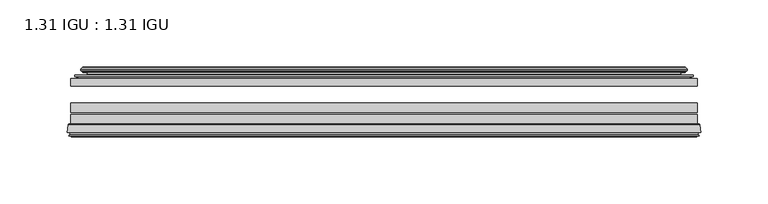
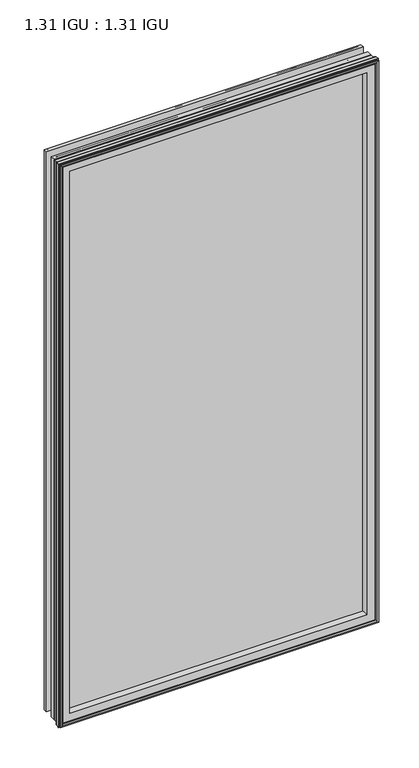
"""IFC4 building model written with IfcOpenShell, lengths in millimetres: plate geometry, 1.31 IGU : 1.31 IGU."""

from ifc_helpers import new_model, si_unit, frame, origin, place, context, project, spatial, polyline, ellipse_curve, outline, extrude, source, transform, mapped, element, save
from ifc_brep_helpers import plane_surface, cylinder_surface, revolved_surface, advanced_brep


def plate_1_31_igu_1_31_igu_a0dc22a1(model_context):
    return source(origin(), model_context, "Body", "SolidModel", [
        extrude(outline(polyline([(233.3578362, -44.8960875), (233.3578362, -50.4332875), (-233.3627713, -50.4332875), (-233.3627713, -44.8960875), (233.3578362, -44.8960875)])), frame((0.0, 0.0, -14.2875), z_axis=(0.0, 0.0, 1.0), x_axis=(1.0, 0.0, 0.0)), (0.0, 0.0, 1.0), 873.1260851),
        extrude(outline(polyline([(-233.3627713, -78.7796875), (-233.3627713, -71.7692875), (233.3578362, -71.7692875), (233.3578362, -78.7796875), (-233.3627713, -78.7796875)])), frame((0.0, 0.0, -14.2875), z_axis=(0.0, 0.0, 1.0), x_axis=(1.0, 0.0, 0.0)), (0.0, 0.0, 1.0), 873.1260851),
        extrude(outline(polyline([(-233.3627713, -70.2452875), (-233.3627713, -63.1332875), (233.3578362, -63.1332875), (233.3578362, -70.2452875), (-233.3627713, -70.2452875)])), frame((0.0, 0.0, -14.2875), z_axis=(0.0, 0.0, 1.0), x_axis=(1.0, 0.0, 0.0)), (0.0, 0.0, 1.0), 873.1260851),
        advanced_brep(
        [(-235.9096752, -85.1296875, 861.385489), (-235.2148914, -79.4711276, 860.6907053), (-235.2148914, -79.4711276, -16.1396201), (-235.9096752, -85.1296875, -16.8344039), (-233.5220752, -87.1207518, 858.997889), (-233.9792752, -85.1296875, 859.455089), (-233.9792752, -85.1296875, -14.9040039), (-233.5220752, -87.1207518, -14.4468039), (-234.5234371, -86.8524376, 859.9992509), (-234.5234371, -86.8524376, -15.4481658), (-234.7666752, -87.7602147, 860.242489), (-234.7666752, -87.7602147, -15.6914039), (-232.7346752, -88.3046875, 858.210489), (-232.7346752, -88.3046875, -13.6594039), (-230.7026752, -87.7602147, 856.178489), (-230.7026752, -87.7602147, -11.6274039), (-230.9459133, -86.8524376, 856.4217272), (-230.9459133, -86.8524376, -11.8706421), (-231.9472752, -87.1207518, 857.423089), (-231.9472752, -87.1207518, -12.8720039), (-231.4900752, -85.1296875, 856.965889), (-231.4900752, -85.1296875, -12.4148039), (-234.4333606, -78.7796875, 859.9091744), (-234.4333606, -78.7796875, -15.3580893), (235.2148914, -79.4711276, -16.1396201), (235.9096752, -85.1296875, -16.8344039), (233.9792752, -85.1296875, -14.9040039), (233.5220752, -87.1207518, -14.4468039), (234.5234371, -86.8524376, -15.4481658), (234.7666752, -87.7602147, -15.6914039), (232.7346752, -88.3046875, -13.6594039), (230.7026752, -87.7602147, -11.6274039), (230.9459133, -86.8524376, -11.8706421), (231.9472752, -87.1207518, -12.8720039), (231.4900752, -85.1296875, -12.4148039), (234.4333606, -78.7796875, -15.3580893), (235.2148914, -79.4711276, 860.6907053), (235.9096752, -85.1296875, 861.385489), (233.9792752, -85.1296875, 859.455089), (233.5220752, -87.1207518, 858.997889), (234.5234371, -86.8524376, 859.9992509), (234.7666752, -87.7602147, 860.242489), (232.7346752, -88.3046875, 858.210489), (230.7026752, -87.7602147, 856.178489), (230.9459133, -86.8524376, 856.4217272), (231.9472752, -87.1207518, 857.423089), (231.4900752, -85.1296875, 856.965889), (234.4333606, -78.7796875, 859.9091744), (-219.0874844, -85.1296875, 844.5632982), (219.0874844, -85.1296875, 844.5632982), (219.0874844, -85.1296875, -0.0122131), (-219.0874844, -85.1296875, -0.0122131), (-215.7712075, -78.7796875, 3.3040638), (215.7712075, -78.7796875, 3.3040638), (215.7712075, -78.7796875, 841.2470213), (-215.7712075, -78.7796875, 841.2470213)],
        [
            (0, 1),
            (1, 2),
            (2, 3),
            (3, 0),
            (4, 5),
            (5, 6),
            (6, 7),
            (7, 4),
            (8, 4),
            (7, 9),
            (9, 8),
            (10, 8),
            (9, 11),
            (11, 10),
            (12, 10),
            (11, 13),
            (13, 12),
            (14, 12),
            (13, 15),
            (15, 14),
            (16, 14),
            (15, 17),
            (17, 16),
            (18, 16),
            (17, 19),
            (19, 18),
            (20, 18),
            (19, 21),
            (21, 20),
            (1, 22, ellipse_curve(frame((-234.4333606, -79.5670875, 859.9091744), z_axis=(-0.7071067811865475, 0.0, -0.7071067811865475), x_axis=(-0.7071067811865474, 0.0, 0.7071067811865476)), 1.1135518, 0.7874)),
            (22, 23),
            (23, 2, ellipse_curve(frame((-234.4333606, -79.5670875, -15.3580893), z_axis=(-0.7071067811865475, 0.0, 0.7071067811865475), x_axis=(0.7071067811865474, 0.0, 0.7071067811865476)), 1.1135518, 0.7874)),
            (2, 24),
            (24, 25),
            (25, 3),
            (6, 26),
            (26, 27),
            (27, 7),
            (27, 28),
            (28, 9),
            (28, 29),
            (29, 11),
            (29, 30),
            (30, 13),
            (30, 31),
            (31, 15),
            (31, 32),
            (32, 17),
            (32, 33),
            (33, 19),
            (33, 34),
            (34, 21),
            (23, 35),
            (35, 24, ellipse_curve(frame((234.4333606, -79.5670875, -15.3580893), z_axis=(-0.7071067811865475, 0.0, -0.7071067811865475), x_axis=(-0.7071067811865476, 0.0, 0.7071067811865474)), 1.1135518, 0.7874)),
            (24, 36),
            (36, 37),
            (37, 25),
            (26, 38),
            (38, 39),
            (39, 27),
            (39, 40),
            (40, 28),
            (40, 41),
            (41, 29),
            (41, 42),
            (42, 30),
            (42, 43),
            (43, 31),
            (43, 44),
            (44, 32),
            (44, 45),
            (45, 33),
            (45, 46),
            (46, 34),
            (35, 47),
            (47, 36, ellipse_curve(frame((234.4333606, -79.5670875, 859.9091744), z_axis=(0.7071067811865475, 0.0, -0.7071067811865475), x_axis=(-0.7071067811865474, 0.0, -0.7071067811865476)), 1.1135518, 0.7874)),
            (36, 1),
            (0, 37),
            (5, 38),
            (4, 39),
            (8, 40),
            (10, 41),
            (12, 42),
            (14, 43),
            (16, 44),
            (18, 45),
            (20, 46),
            (48, 49),
            (49, 50),
            (50, 51),
            (51, 48),
            (22, 47),
            (52, 53),
            (53, 54),
            (54, 55),
            (55, 52),
            (55, 48, ellipse_curve(frame((-207.8381895, -86.963653, 833.3140033), z_axis=(0.7071067811865475, 0.0, 0.7071067811865475), x_axis=(0.7071067811865474, 0.0, -0.7071067811865476)), 16.118937, 11.3978097)),
            (51, 52, ellipse_curve(frame((-207.8381895, -86.963653, 11.2370818), z_axis=(0.7071067811865475, 0.0, -0.7071067811865475), x_axis=(-0.7071067811865474, 0.0, -0.7071067811865476)), 16.118937, 11.3978097)),
            (50, 53, ellipse_curve(frame((207.8381895, -86.963653, 11.2370818), z_axis=(0.7071067811865475, 0.0, 0.7071067811865475), x_axis=(0.7071067811865476, 0.0, -0.7071067811865474)), 16.118937, 11.3978097)),
            (49, 54, ellipse_curve(frame((207.8381895, -86.963653, 833.3140033), z_axis=(-0.7071067811865475, 0.0, 0.7071067811865475), x_axis=(0.7071067811865474, 0.0, 0.7071067811865476)), 16.118937, 11.3978097)),
        ],
        [
            plane_surface(frame((-235.2148914, -79.4711276, 860.6907053), z_axis=(-0.9925461516413008, 0.12186934340532068, 0.0), x_axis=(0.0, 0.0, -1.0))),
            plane_surface(frame((-233.9792752, -85.1296875, 859.455089), z_axis=(-0.9746347637895997, -0.22380142361654332, 0.0), x_axis=(0.0, 0.0, -1.0))),
            plane_surface(frame((-233.5220752, -87.1207518, 858.997889), z_axis=(0.25881904510266784, 0.9659258262890289, 0.0), x_axis=(0.0, 0.0, -1.0))),
            plane_surface(frame((-234.5234371, -86.8524376, 859.9992509), z_axis=(-0.9659258262890449, 0.2588190451026083, 0.0), x_axis=(0.0, 0.0, -1.0))),
            plane_surface(frame((-234.7666752, -87.7602147, 860.242489), z_axis=(-0.2588190451025689, -0.9659258262890554, 0.0), x_axis=(0.0, 0.0, -1.0))),
            plane_surface(frame((-232.7346752, -88.3046875, 858.210489), z_axis=(0.25881904510241466, -0.9659258262890968, 0.0), x_axis=(0.0, 0.0, -1.0))),
            plane_surface(frame((-230.7026752, -87.7602147, 856.178489), z_axis=(0.9659258262890272, 0.25881904510267406, 0.0), x_axis=(0.0, 0.0, -1.0))),
            plane_surface(frame((-230.9459133, -86.8524376, 856.4217272), z_axis=(-0.25881904510234177, 0.9659258262891163, 0.0), x_axis=(0.0, 0.0, -1.0))),
            plane_surface(frame((-231.9472752, -87.1207518, 857.423089), z_axis=(0.9746347637895936, -0.2238014236165695, 0.0), x_axis=(0.0, 0.0, -1.0))),
            cylinder_surface(frame((-234.4333606, -79.5670875, 876.3010851), z_axis=(0.0, 0.0, 1.0), x_axis=(-1.0, 0.0, 0.0)), 0.7874),
            plane_surface(frame((-235.2148914, -79.4711276, -16.1396201), z_axis=(0.0, 0.12186934340531747, -0.9925461516413012), x_axis=(1.0, 0.0, 0.0))),
            plane_surface(frame((-233.9792752, -85.1296875, -14.9040039), z_axis=(0.0, -0.22380142361654648, -0.9746347637895989), x_axis=(1.0, 0.0, 0.0))),
            plane_surface(frame((-233.5220752, -87.1207518, -14.4468039), z_axis=(0.0, 0.9659258262890298, 0.25881904510266474), x_axis=(1.0, 0.0, 0.0))),
            plane_surface(frame((-234.5234371, -86.8524376, -15.4481658), z_axis=(0.0, 0.25881904510260517, -0.9659258262890458), x_axis=(1.0, 0.0, 0.0))),
            plane_surface(frame((-234.7666752, -87.7602147, -15.6914039), z_axis=(0.0, -0.9659258262890563, -0.2588190451025658), x_axis=(1.0, 0.0, 0.0))),
            plane_surface(frame((-232.7346752, -88.3046875, -13.6594039), z_axis=(0.0, -0.965925826289096, 0.25881904510241777), x_axis=(1.0, 0.0, 0.0))),
            plane_surface(frame((-230.7026752, -87.7602147, -11.6274039), z_axis=(0.0, 0.2588190451026772, 0.9659258262890265), x_axis=(1.0, 0.0, 0.0))),
            plane_surface(frame((-230.9459133, -86.8524376, -11.8706421), z_axis=(0.0, 0.9659258262891154, -0.2588190451023449), x_axis=(1.0, 0.0, 0.0))),
            plane_surface(frame((-231.9472752, -87.1207518, -12.8720039), z_axis=(0.0, -0.22380142361656633, 0.9746347637895943), x_axis=(1.0, 0.0, 0.0))),
            cylinder_surface(frame((-250.8252713, -79.5670875, -15.3580893), z_axis=(-1.0, 0.0, 0.0), x_axis=(0.0, 0.0, -1.0)), 0.7874),
            plane_surface(frame((235.2148914, -79.4711276, -16.1396201), z_axis=(0.9925461516413017, 0.12186934340531425, 0.0), x_axis=(0.0, 0.0, 1.0))),
            plane_surface(frame((233.9792752, -85.1296875, -14.9040039), z_axis=(0.9746347637895981, -0.22380142361654964, 0.0), x_axis=(0.0, 0.0, 1.0))),
            plane_surface(frame((233.5220752, -87.1207518, -14.4468039), z_axis=(-0.2588190451026616, 0.9659258262890307, 0.0), x_axis=(0.0, 0.0, 1.0))),
            plane_surface(frame((234.5234371, -86.8524376, -15.4481658), z_axis=(0.9659258262890467, 0.25881904510260206, 0.0), x_axis=(0.0, 0.0, 1.0))),
            plane_surface(frame((234.7666752, -87.7602147, -15.6914039), z_axis=(0.2588190451025627, -0.9659258262890572, 0.0), x_axis=(0.0, 0.0, 1.0))),
            plane_surface(frame((232.7346752, -88.3046875, -13.6594039), z_axis=(-0.2588190451024209, -0.9659258262890951, 0.0), x_axis=(0.0, 0.0, 1.0))),
            plane_surface(frame((230.7026752, -87.7602147, -11.6274039), z_axis=(-0.9659258262890256, 0.25881904510268033, 0.0), x_axis=(0.0, 0.0, 1.0))),
            plane_surface(frame((230.9459133, -86.8524376, -11.8706421), z_axis=(0.25881904510234804, 0.9659258262891146, 0.0), x_axis=(0.0, 0.0, 1.0))),
            plane_surface(frame((231.9472752, -87.1207518, -12.8720039), z_axis=(-0.9746347637895951, -0.22380142361656316, 0.0), x_axis=(0.0, 0.0, 1.0))),
            cylinder_surface(frame((234.4333606, -79.5670875, -31.75), z_axis=(0.0, 0.0, -1.0), x_axis=(1.0, 0.0, 0.0)), 0.7874),
            plane_surface(frame((235.2148914, -79.4711276, 860.6907053), z_axis=(0.0, 0.12186934340531747, 0.9925461516413012), x_axis=(-1.0, 0.0, 0.0))),
            plane_surface(frame((235.9096752, -85.1296875, 861.385489), z_axis=(0.0, -1.0, 0.0), x_axis=(-1.0, 0.0, 0.0))),
            plane_surface(frame((233.9792752, -85.1296875, 859.455089), z_axis=(0.0, -0.22380142361654648, 0.9746347637895989), x_axis=(-1.0, 0.0, 0.0))),
            plane_surface(frame((233.5220752, -87.1207518, 858.997889), z_axis=(0.0, 0.9659258262890298, -0.25881904510266474), x_axis=(-1.0, 0.0, 0.0))),
            plane_surface(frame((234.5234371, -86.8524376, 859.9992509), z_axis=(0.0, 0.25881904510260517, 0.9659258262890458), x_axis=(-1.0, 0.0, 0.0))),
            plane_surface(frame((234.7666752, -87.7602147, 860.242489), z_axis=(0.0, -0.9659258262890563, 0.2588190451025658), x_axis=(-1.0, 0.0, 0.0))),
            plane_surface(frame((232.7346752, -88.3046875, 858.210489), z_axis=(0.0, -0.965925826289096, -0.25881904510241777), x_axis=(-1.0, 0.0, 0.0))),
            plane_surface(frame((230.7026752, -87.7602147, 856.178489), z_axis=(0.0, 0.2588190451026772, -0.9659258262890265), x_axis=(-1.0, 0.0, 0.0))),
            plane_surface(frame((230.9459133, -86.8524376, 856.4217272), z_axis=(0.0, 0.9659258262891155, 0.25881904510234494), x_axis=(-1.0, 0.0, 0.0))),
            plane_surface(frame((231.9472752, -87.1207518, 857.423089), z_axis=(0.0, -0.22380142361656633, -0.9746347637895943), x_axis=(-1.0, 0.0, 0.0))),
            plane_surface(frame((231.4900752, -85.1296875, 856.965889), z_axis=(0.0, -1.0, 0.0), x_axis=(-1.0, 0.0, 0.0))),
            plane_surface(frame((215.7712075, -78.7796875, 841.2470213), z_axis=(0.0, 1.0, 0.0), x_axis=(-1.0, 0.0, 0.0))),
            cylinder_surface(frame((250.8252713, -79.5670875, 859.9091744), z_axis=(1.0, 0.0, 0.0), x_axis=(0.0, 0.0, 1.0)), 0.7874),
            revolved_surface(polyline([(-219.2359992, -86.963653, -0.1607278582187064), (-219.2359992, -86.963653, 844.7118129582187)]), (-207.8381895, -86.963653, 876.3010851), (0.0, 0.0, -1.0)),
            revolved_surface(polyline([(219.23599915821876, -86.963653, -0.16072789999999948), (-219.23599915821873, -86.963653, -0.16072789999999948)]), (-250.8252713, -86.963653, 11.2370818), (1.0, 0.0, 0.0)),
            revolved_surface(polyline([(219.2359992, -86.963653, 844.7118129582187), (219.2359992, -86.963653, -0.16072785821874191)]), (207.8381895, -86.963653, -31.75), (0.0, 0.0, 1.0)),
            revolved_surface(polyline([(-219.23599915821876, -86.963653, 844.711813), (219.23599915821873, -86.963653, 844.711813)]), (250.8252713, -86.963653, 833.3140033), (-1.0, 0.0, 0.0)),
        ],
        [
            (0, [[1, 2, 3, 4]]),
            (1, [[5, 6, 7, 8]]),
            (2, [[9, -8, 10, 11]]),
            (3, [[12, -11, 13, 14]]),
            (4, [[15, -14, 16, 17]]),
            (5, [[18, -17, 19, 20]]),
            (6, [[21, -20, 22, 23]]),
            (7, [[24, -23, 25, 26]]),
            (8, [[27, -26, 28, 29]]),
            (9, [[30, 31, 32, -2]]),
            (10, [[-3, 33, 34, 35]]),
            (11, [[-7, 36, 37, 38]]),
            (12, [[-10, -38, 39, 40]]),
            (13, [[-13, -40, 41, 42]]),
            (14, [[-16, -42, 43, 44]]),
            (15, [[-19, -44, 45, 46]]),
            (16, [[-22, -46, 47, 48]]),
            (17, [[-25, -48, 49, 50]]),
            (18, [[-28, -50, 51, 52]]),
            (19, [[-32, 53, 54, -33]]),
            (20, [[-34, 55, 56, 57]]),
            (21, [[-37, 58, 59, 60]]),
            (22, [[-39, -60, 61, 62]]),
            (23, [[-41, -62, 63, 64]]),
            (24, [[-43, -64, 65, 66]]),
            (25, [[-45, -66, 67, 68]]),
            (26, [[-47, -68, 69, 70]]),
            (27, [[-49, -70, 71, 72]]),
            (28, [[-51, -72, 73, 74]]),
            (29, [[-54, 75, 76, -55]]),
            (30, [[-56, 77, -1, 78]]),
            (31, [[-35, -57, -78, -4], [79, -58, -36, -6]]),
            (32, [[-59, -79, -5, 80]]),
            (33, [[-61, -80, -9, 81]]),
            (34, [[-63, -81, -12, 82]]),
            (35, [[-65, -82, -15, 83]]),
            (36, [[-67, -83, -18, 84]]),
            (37, [[-69, -84, -21, 85]]),
            (38, [[-71, -85, -24, 86]]),
            (39, [[-73, -86, -27, 87]]),
            (40, [[-52, -74, -87, -29], [88, 89, 90, 91]]),
            (41, [[92, -75, -53, -31], [93, 94, 95, 96]]),
            (42, [[-76, -92, -30, -77]]),
            (43, [[97, -91, 98, -96]]),
            (44, [[-98, -90, 99, -93]]),
            (45, [[-99, -89, 100, -94]]),
            (46, [[-100, -88, -97, -95]]),
        ],
    ),
        advanced_brep(
        [(-224.0174468, -37.7373382, 849.4932606), (-219.0758138, -36.3108875, 844.5516277), (-219.0758138, -36.3108875, -0.0005426), (-224.0174468, -37.7373382, -4.9421755), (-223.8523415, -36.9605789, 849.3281553), (-223.8523415, -36.9605789, -4.7770702), (-224.4478272, -36.4771203, 849.923641), (-224.4478272, -36.4771203, -5.3725559), (-225.712463, -37.766076, 851.1882768), (-225.712463, -37.766076, -6.6371917), (-225.7016462, -38.8797852, 851.17746), (-225.7016462, -38.8797852, -6.6263749), (-224.420161, -40.1361433, 849.8959748), (-224.420161, -40.1361433, -5.3448897), (-223.8151542, -39.649943, 849.290968), (-223.8151542, -39.649943, -4.7398829), (-224.3691684, -39.0959287, 849.8449823), (-224.3691684, -39.0959287, -5.2938972), (-222.08336, -38.7029881, 847.5591739), (-222.08336, -38.7029881, -3.0080887), (-220.6242869, -40.2107282, 846.1001008), (-220.6242869, -40.2107282, -1.5490157), (-220.9208689, -41.651269, 846.3966827), (-220.9208689, -41.651269, -1.8455976), (-221.6920933, -42.2798875, 847.1679072), (-221.6920933, -42.2798875, -2.6168221), (-229.9960697, -43.4871542, 855.4718835), (-229.7208682, -42.2798875, 855.1966821), (-229.7208682, -42.2798875, -10.6455969), (-229.9960697, -43.4871542, -10.9207984), (-226.538501, -44.8960875, 852.0143149), (-226.538501, -44.8960875, -7.4632297), (-215.4408772, -44.023302, 840.9166911), (-215.7962152, -44.8960875, 841.272029), (-215.7962152, -44.8960875, 3.2790561), (-215.4408772, -44.023302, 3.6343941), (-216.1120752, -43.3681812, 841.5878891), (-216.1120752, -43.3681812, 2.963196), (-217.7528658, -40.6686056, 843.2286797), (-217.7528658, -40.6686056, 1.3224054), (219.0758138, -36.3108875, -0.0005426), (224.0174468, -37.7373382, -4.9421755), (223.8523415, -36.9605789, -4.7770702), (224.4478272, -36.4771203, -5.3725559), (225.712463, -37.766076, -6.6371917), (225.7016462, -38.8797852, -6.6263749), (224.420161, -40.1361433, -5.3448897), (223.8151542, -39.649943, -4.7398829), (224.3691684, -39.0959287, -5.2938972), (222.08336, -38.7029881, -3.0080887), (220.6242869, -40.2107282, -1.5490157), (220.9208689, -41.651269, -1.8455976), (221.6920933, -42.2798875, -2.6168221), (229.7208682, -42.2798875, -10.6455969), (229.9960697, -43.4871542, -10.9207984), (226.538501, -44.8960875, -7.4632297), (215.7962152, -44.8960875, 3.2790561), (215.4408772, -44.023302, 3.6343941), (216.1120752, -43.3681812, 2.963196), (217.7528658, -40.6686056, 1.3224054), (219.0758138, -36.3108875, 844.5516277), (224.0174468, -37.7373382, 849.4932606), (223.8523415, -36.9605789, 849.3281553), (224.4478272, -36.4771203, 849.923641), (225.712463, -37.766076, 851.1882768), (225.7016462, -38.8797852, 851.17746), (224.420161, -40.1361433, 849.8959748), (223.8151542, -39.649943, 849.290968), (224.3691684, -39.0959287, 849.8449823), (222.08336, -38.7029881, 847.5591739), (220.6242869, -40.2107282, 846.1001008), (220.9208689, -41.651269, 846.3966827), (221.6920933, -42.2798875, 847.1679072), (229.7208682, -42.2798875, 855.1966821), (229.9960697, -43.4871542, 855.4718835), (226.538501, -44.8960875, 852.0143149), (215.7962152, -44.8960875, 841.272029), (215.4408772, -44.023302, 840.9166911), (216.1120752, -43.3681812, 841.5878891), (217.7528658, -40.6686056, 843.2286797)],
        [
            (0, 1),
            (1, 2),
            (2, 3),
            (3, 0),
            (4, 0),
            (3, 5),
            (5, 4),
            (6, 4, ellipse_curve(frame((-224.1728584, -36.746901, 849.6486723), z_axis=(-0.7071067811865475, 0.0, -0.7071067811865475), x_axis=(-0.7071067811865474, 0.0, 0.7071067811865476)), 0.5447741, 0.3852135)),
            (5, 7, ellipse_curve(frame((-224.1728584, -36.746901, -5.0975871), z_axis=(-0.7071067811865475, 0.0, 0.7071067811865475), x_axis=(0.7071067811865474, 0.0, 0.7071067811865476)), 0.5447741, 0.3852135)),
            (7, 6),
            (8, 6),
            (7, 9),
            (9, 8),
            (10, 8, ellipse_curve(frame((-225.1504099, -38.3175243, 850.6262238), z_axis=(-0.7071067811865475, 0.0, -0.7071067811865475), x_axis=(-0.7071067811865474, 0.0, 0.7071067811865476)), 1.1135518, 0.7874)),
            (9, 11, ellipse_curve(frame((-225.1504099, -38.3175243, -6.0751387), z_axis=(-0.7071067811865475, 0.0, 0.7071067811865475), x_axis=(0.7071067811865474, 0.0, 0.7071067811865476)), 1.1135518, 0.7874)),
            (11, 10),
            (12, 10),
            (11, 13),
            (13, 12),
            (14, 12, ellipse_curve(frame((-224.1465635, -39.8570738, 849.6223773), z_axis=(-0.7071067811865475, 0.0, -0.7071067811865475), x_axis=(-0.7071067811865474, 0.0, 0.7071067811865476)), 0.552694, 0.3908137)),
            (13, 15, ellipse_curve(frame((-224.1465635, -39.8570738, -5.0712922), z_axis=(-0.7071067811865475, 0.0, 0.7071067811865475), x_axis=(0.7071067811865474, 0.0, 0.7071067811865476)), 0.552694, 0.3908137)),
            (15, 14),
            (16, 14),
            (15, 17),
            (17, 16),
            (18, 16),
            (17, 19),
            (19, 18),
            (20, 18, ellipse_curve(frame((-221.8681974, -39.954629, 847.3440112), z_axis=(0.7071067811865475, 0.0, 0.7071067811865475), x_axis=(0.7071067811865474, 0.0, -0.7071067811865476)), 1.7960512, 1.27)),
            (19, 21, ellipse_curve(frame((-221.8681974, -39.954629, -2.7929261), z_axis=(0.7071067811865475, 0.0, -0.7071067811865475), x_axis=(-0.7071067811865474, 0.0, -0.7071067811865476)), 1.7960512, 1.27)),
            (21, 20),
            (22, 20),
            (21, 23),
            (23, 22),
            (24, 22, ellipse_curve(frame((-221.6920933, -41.4924875, 847.1679072), z_axis=(0.7071067811865475, 0.0, 0.7071067811865475), x_axis=(0.7071067811865474, 0.0, -0.7071067811865476)), 1.1135518, 0.7874)),
            (23, 25, ellipse_curve(frame((-221.6920933, -41.4924875, -2.6168221), z_axis=(0.7071067811865475, 0.0, -0.7071067811865475), x_axis=(-0.7071067811865474, 0.0, -0.7071067811865476)), 1.1135518, 0.7874)),
            (25, 24),
            (26, 27, ellipse_curve(frame((-229.7208682, -42.9148875, 855.1966821), z_axis=(-0.7071067811865475, 0.0, -0.7071067811865475), x_axis=(-0.7071067811865474, 0.0, 0.7071067811865476)), 0.8980256, 0.635)),
            (27, 28),
            (28, 29, ellipse_curve(frame((-229.7208682, -42.9148875, -10.6455969), z_axis=(-0.7071067811865475, 0.0, 0.7071067811865475), x_axis=(0.7071067811865474, 0.0, 0.7071067811865476)), 0.8980256, 0.635)),
            (29, 26),
            (30, 26),
            (29, 31),
            (31, 30),
            (32, 33, ellipse_curve(frame((-215.7962152, -44.3873602, 841.272029), z_axis=(-0.7071067811865475, 0.0, -0.7071067811865475), x_axis=(-0.7071067811865474, 0.0, 0.7071067811865476)), 0.719449, 0.5087273)),
            (33, 34),
            (34, 35, ellipse_curve(frame((-215.7962152, -44.3873602, 3.2790561), z_axis=(-0.7071067811865475, 0.0, 0.7071067811865475), x_axis=(0.7071067811865474, 0.0, 0.7071067811865476)), 0.719449, 0.5087273)),
            (35, 32),
            (36, 32),
            (35, 37),
            (37, 36),
            (38, 36, ellipse_curve(frame((-211.676701, -38.823959, 837.1525149), z_axis=(0.7071067811865475, 0.0, 0.7071067811865475), x_axis=(0.7071067811865474, 0.0, -0.7071067811865476)), 8.9802561, 6.35)),
            (37, 39, ellipse_curve(frame((-211.676701, -38.823959, 7.3985702), z_axis=(0.7071067811865475, 0.0, -0.7071067811865475), x_axis=(-0.7071067811865474, 0.0, -0.7071067811865476)), 8.9802561, 6.35)),
            (39, 38),
            (1, 38),
            (39, 2),
            (2, 40),
            (40, 41),
            (41, 3),
            (41, 42),
            (42, 5),
            (42, 43, ellipse_curve(frame((224.1728584, -36.746901, -5.0975871), z_axis=(-0.7071067811865475, 0.0, -0.7071067811865475), x_axis=(-0.7071067811865476, 0.0, 0.7071067811865474)), 0.5447741, 0.3852135)),
            (43, 7),
            (43, 44),
            (44, 9),
            (44, 45, ellipse_curve(frame((225.1504099, -38.3175243, -6.0751387), z_axis=(-0.7071067811865475, 0.0, -0.7071067811865475), x_axis=(-0.7071067811865476, 0.0, 0.7071067811865474)), 1.1135518, 0.7874)),
            (45, 11),
            (45, 46),
            (46, 13),
            (46, 47, ellipse_curve(frame((224.1465635, -39.8570738, -5.0712922), z_axis=(-0.7071067811865475, 0.0, -0.7071067811865475), x_axis=(-0.7071067811865476, 0.0, 0.7071067811865474)), 0.552694, 0.3908137)),
            (47, 15),
            (47, 48),
            (48, 17),
            (48, 49),
            (49, 19),
            (49, 50, ellipse_curve(frame((221.8681974, -39.954629, -2.7929261), z_axis=(0.7071067811865475, 0.0, 0.7071067811865475), x_axis=(0.7071067811865476, 0.0, -0.7071067811865474)), 1.7960512, 1.27)),
            (50, 21),
            (50, 51),
            (51, 23),
            (51, 52, ellipse_curve(frame((221.6920933, -41.4924875, -2.6168221), z_axis=(0.7071067811865475, 0.0, 0.7071067811865475), x_axis=(0.7071067811865476, 0.0, -0.7071067811865474)), 1.1135518, 0.7874)),
            (52, 25),
            (28, 53),
            (53, 54, ellipse_curve(frame((229.7208682, -42.9148875, -10.6455969), z_axis=(-0.7071067811865475, 0.0, -0.7071067811865475), x_axis=(-0.7071067811865476, 0.0, 0.7071067811865474)), 0.8980256, 0.635)),
            (54, 29),
            (54, 55),
            (55, 31),
            (34, 56),
            (56, 57, ellipse_curve(frame((215.7962152, -44.3873602, 3.2790561), z_axis=(-0.7071067811865475, 0.0, -0.7071067811865475), x_axis=(-0.7071067811865476, 0.0, 0.7071067811865474)), 0.719449, 0.5087273)),
            (57, 35),
            (57, 58),
            (58, 37),
            (58, 59, ellipse_curve(frame((211.676701, -38.823959, 7.3985702), z_axis=(0.7071067811865475, 0.0, 0.7071067811865475), x_axis=(0.7071067811865476, 0.0, -0.7071067811865474)), 8.9802561, 6.35)),
            (59, 39),
            (59, 40),
            (40, 60),
            (60, 61),
            (61, 41),
            (61, 62),
            (62, 42),
            (62, 63, ellipse_curve(frame((224.1728584, -36.746901, 849.6486723), z_axis=(0.7071067811865475, 0.0, -0.7071067811865475), x_axis=(-0.7071067811865474, 0.0, -0.7071067811865476)), 0.5447741, 0.3852135)),
            (63, 43),
            (63, 64),
            (64, 44),
            (64, 65, ellipse_curve(frame((225.1504099, -38.3175243, 850.6262238), z_axis=(0.7071067811865475, 0.0, -0.7071067811865475), x_axis=(-0.7071067811865474, 0.0, -0.7071067811865476)), 1.1135518, 0.7874)),
            (65, 45),
            (65, 66),
            (66, 46),
            (66, 67, ellipse_curve(frame((224.1465635, -39.8570738, 849.6223773), z_axis=(0.7071067811865475, 0.0, -0.7071067811865475), x_axis=(-0.7071067811865474, 0.0, -0.7071067811865476)), 0.552694, 0.3908137)),
            (67, 47),
            (67, 68),
            (68, 48),
            (68, 69),
            (69, 49),
            (69, 70, ellipse_curve(frame((221.8681974, -39.954629, 847.3440112), z_axis=(-0.7071067811865475, 0.0, 0.7071067811865475), x_axis=(0.7071067811865474, 0.0, 0.7071067811865476)), 1.7960512, 1.27)),
            (70, 50),
            (70, 71),
            (71, 51),
            (71, 72, ellipse_curve(frame((221.6920933, -41.4924875, 847.1679072), z_axis=(-0.7071067811865475, 0.0, 0.7071067811865475), x_axis=(0.7071067811865474, 0.0, 0.7071067811865476)), 1.1135518, 0.7874)),
            (72, 52),
            (53, 73),
            (73, 74, ellipse_curve(frame((229.7208682, -42.9148875, 855.1966821), z_axis=(0.7071067811865475, 0.0, -0.7071067811865475), x_axis=(-0.7071067811865474, 0.0, -0.7071067811865476)), 0.8980256, 0.635)),
            (74, 54),
            (74, 75),
            (75, 55),
            (56, 76),
            (76, 77, ellipse_curve(frame((215.7962152, -44.3873602, 841.272029), z_axis=(0.7071067811865475, 0.0, -0.7071067811865475), x_axis=(-0.7071067811865474, 0.0, -0.7071067811865476)), 0.719449, 0.5087273)),
            (77, 57),
            (77, 78),
            (78, 58),
            (78, 79, ellipse_curve(frame((211.676701, -38.823959, 837.1525149), z_axis=(-0.7071067811865475, 0.0, 0.7071067811865475), x_axis=(0.7071067811865474, 0.0, 0.7071067811865476)), 8.9802561, 6.35)),
            (79, 59),
            (79, 60),
            (60, 1),
            (0, 61),
            (4, 62),
            (6, 63),
            (8, 64),
            (10, 65),
            (12, 66),
            (14, 67),
            (16, 68),
            (18, 69),
            (20, 70),
            (22, 71),
            (24, 72),
            (27, 73),
            (26, 74),
            (30, 75),
            (33, 76),
            (32, 77),
            (36, 78),
            (38, 79),
        ],
        [
            plane_surface(frame((-219.0758138, -36.3108875, 844.5516277), z_axis=(-0.27733649284928463, 0.9607728502273879, 0.0), x_axis=(0.0, 0.0, -1.0))),
            plane_surface(frame((-224.0174468, -37.7373382, 849.4932606), z_axis=(0.9781476007338358, -0.2079116908176177, 0.0), x_axis=(0.0, 0.0, -1.0))),
            cylinder_surface(frame((-224.1728584, -36.746901, 876.3010851), z_axis=(0.0, 0.0, 1.0), x_axis=(-1.0, 0.0, 0.0)), 0.3852135),
            plane_surface(frame((-224.4478272, -36.4771203, 849.923641), z_axis=(-0.7138087599382162, 0.7003406701280928, 0.0), x_axis=(0.0, 0.0, -1.0))),
            cylinder_surface(frame((-225.1504099, -38.3175243, 876.3010851), z_axis=(0.0, 0.0, 1.0), x_axis=(-1.0, 0.0, 0.0)), 0.7874),
            plane_surface(frame((-225.7016462, -38.8797852, 851.17746), z_axis=(-0.7000714109283732, -0.7140728391423082, 0.0), x_axis=(0.0, 0.0, -1.0))),
            cylinder_surface(frame((-224.1465635, -39.8570738, 876.3010851), z_axis=(0.0, 0.0, 1.0), x_axis=(-1.0, 0.0, 0.0)), 0.3908137),
            plane_surface(frame((-223.8151542, -39.649943, 849.290968), z_axis=(0.7071067811861126, 0.7071067811869826, 0.0), x_axis=(0.0, 0.0, -1.0))),
            plane_surface(frame((-224.3691684, -39.0959287, 849.8449823), z_axis=(0.16941940671011482, -0.9855440449974789, 0.0), x_axis=(0.0, 0.0, -1.0))),
            revolved_surface(polyline([(-223.13819740000002, -39.954629, -4.0629260828783345), (-223.13819740000002, -39.954629, 848.6140111828782)]), (-221.8681974, -39.954629, 876.3010851), (0.0, 0.0, -1.0)),
            plane_surface(frame((-220.6242869, -40.2107282, 846.1001008), z_axis=(-0.9794570432566897, 0.201652920670302, 0.0), x_axis=(0.0, 0.0, -1.0))),
            revolved_surface(polyline([(-222.4794933, -41.4924875, -3.4042221289824965), (-222.4794933, -41.4924875, 847.9553072289824)]), (-221.6920933, -41.4924875, 876.3010851), (0.0, 0.0, -1.0)),
            cylinder_surface(frame((-229.7208682, -42.9148875, 876.3010851), z_axis=(0.0, 0.0, 1.0), x_axis=(-1.0, 0.0, 0.0)), 0.635),
            plane_surface(frame((-229.9960697, -43.4871542, 855.4718835), z_axis=(-0.37736447542757934, -0.9260648209954139, 0.0), x_axis=(0.0, 0.0, -1.0))),
            cylinder_surface(frame((-215.7962152, -44.3873602, 876.3010851), z_axis=(0.0, 0.0, 1.0), x_axis=(-1.0, 0.0, 0.0)), 0.5087273),
            plane_surface(frame((-215.4408772, -44.023302, 840.9166911), z_axis=(0.698484125849927, 0.7156255486884628, 0.0), x_axis=(0.0, 0.0, -1.0))),
            revolved_surface(polyline([(-218.026701, -38.823959, 1.0485702148981773), (-218.026701, -38.823959, 843.5025148851018)]), (-211.676701, -38.823959, 876.3010851), (0.0, 0.0, -1.0)),
            plane_surface(frame((-217.7528658, -40.6686056, 843.2286797), z_axis=(0.9568763473517009, 0.2904955350411895, 0.0), x_axis=(0.0, 0.0, -1.0))),
            plane_surface(frame((-219.0758138, -36.3108875, -0.0005426), z_axis=(0.0, 0.960772850227387, -0.27733649284928774), x_axis=(1.0, 0.0, 0.0))),
            plane_surface(frame((-224.0174468, -37.7373382, -4.9421755), z_axis=(0.0, -0.20791169081761454, 0.9781476007338364), x_axis=(1.0, 0.0, 0.0))),
            cylinder_surface(frame((-250.8252713, -36.746901, -5.0975871), z_axis=(-1.0, 0.0, 0.0), x_axis=(0.0, 0.0, -1.0)), 0.3852135),
            plane_surface(frame((-224.4478272, -36.4771203, -5.3725559), z_axis=(0.0, 0.7003406701280904, -0.7138087599382185), x_axis=(1.0, 0.0, 0.0))),
            cylinder_surface(frame((-250.8252713, -38.3175243, -6.0751387), z_axis=(-1.0, 0.0, 0.0), x_axis=(0.0, 0.0, -1.0)), 0.7874),
            plane_surface(frame((-225.7016462, -38.8797852, -6.6263749), z_axis=(0.0, -0.7140728391423105, -0.7000714109283709), x_axis=(1.0, 0.0, 0.0))),
            cylinder_surface(frame((-250.8252713, -39.8570738, -5.0712922), z_axis=(-1.0, 0.0, 0.0), x_axis=(0.0, 0.0, -1.0)), 0.3908137),
            plane_surface(frame((-223.8151542, -39.649943, -4.7398829), z_axis=(0.0, 0.7071067811869849, 0.7071067811861103), x_axis=(1.0, 0.0, 0.0))),
            plane_surface(frame((-224.3691684, -39.0959287, -5.2938972), z_axis=(0.0, -0.9855440449974784, 0.16941940671011801), x_axis=(1.0, 0.0, 0.0))),
            revolved_surface(polyline([(223.13819738287827, -39.954629, -4.0629261), (-223.13819738287825, -39.954629, -4.0629261)]), (-250.8252713, -39.954629, -2.7929261), (1.0, 0.0, 0.0)),
            plane_surface(frame((-220.6242869, -40.2107282, -1.5490157), z_axis=(0.0, 0.20165292067029883, -0.9794570432566904), x_axis=(1.0, 0.0, 0.0))),
            revolved_surface(polyline([(222.47949332898247, -41.4924875, -3.4042220999999997), (-222.4794933289825, -41.4924875, -3.4042220999999997)]), (-250.8252713, -41.4924875, -2.6168221), (1.0, 0.0, 0.0)),
            cylinder_surface(frame((-250.8252713, -42.9148875, -10.6455969), z_axis=(-1.0, 0.0, 0.0), x_axis=(0.0, 0.0, -1.0)), 0.635),
            plane_surface(frame((-229.9960697, -43.4871542, -10.9207984), z_axis=(0.0, -0.9260648209954151, -0.37736447542757634), x_axis=(1.0, 0.0, 0.0))),
            cylinder_surface(frame((-250.8252713, -44.3873602, 3.2790561), z_axis=(-1.0, 0.0, 0.0), x_axis=(0.0, 0.0, -1.0)), 0.5087273),
            plane_surface(frame((-215.4408772, -44.023302, 3.6343941), z_axis=(0.0, 0.7156255486884651, 0.6984841258499247), x_axis=(1.0, 0.0, 0.0))),
            revolved_surface(polyline([(218.0267009851019, -38.823959, 1.0485702000000003), (-218.02670098510185, -38.823959, 1.0485702000000003)]), (-250.8252713, -38.823959, 7.3985702), (1.0, 0.0, 0.0)),
            plane_surface(frame((-217.7528658, -40.6686056, 1.3224054), z_axis=(0.0, 0.29049553504119263, 0.9568763473517), x_axis=(1.0, 0.0, 0.0))),
            plane_surface(frame((219.0758138, -36.3108875, -0.0005426), z_axis=(0.27733649284929085, 0.9607728502273861, 0.0), x_axis=(0.0, 0.0, 1.0))),
            plane_surface(frame((224.0174468, -37.7373382, -4.9421755), z_axis=(-0.9781476007338371, -0.20791169081761138, 0.0), x_axis=(0.0, 0.0, 1.0))),
            cylinder_surface(frame((224.1728584, -36.746901, -31.75), z_axis=(0.0, 0.0, -1.0), x_axis=(1.0, 0.0, 0.0)), 0.3852135),
            plane_surface(frame((224.4478272, -36.4771203, -5.3725559), z_axis=(0.7138087599382208, 0.7003406701280882, 0.0), x_axis=(0.0, 0.0, 1.0))),
            cylinder_surface(frame((225.1504099, -38.3175243, -31.75), z_axis=(0.0, 0.0, -1.0), x_axis=(1.0, 0.0, 0.0)), 0.7874),
            plane_surface(frame((225.7016462, -38.8797852, -6.6263749), z_axis=(0.7000714109283687, -0.7140728391423128, 0.0), x_axis=(0.0, 0.0, 1.0))),
            cylinder_surface(frame((224.1465635, -39.8570738, -31.75), z_axis=(0.0, 0.0, -1.0), x_axis=(1.0, 0.0, 0.0)), 0.3908137),
            plane_surface(frame((223.8151542, -39.649943, -4.7398829), z_axis=(-0.7071067811861079, 0.7071067811869872, 0.0), x_axis=(0.0, 0.0, 1.0))),
            plane_surface(frame((224.3691684, -39.0959287, -5.2938972), z_axis=(-0.1694194067101212, -0.9855440449974778, 0.0), x_axis=(0.0, 0.0, 1.0))),
            revolved_surface(polyline([(223.13819740000002, -39.954629, 848.6140111828782), (223.13819740000002, -39.954629, -4.062926082878235)]), (221.8681974, -39.954629, -31.75), (0.0, 0.0, 1.0)),
            plane_surface(frame((220.6242869, -40.2107282, -1.5490157), z_axis=(0.979457043256691, 0.20165292067029567, 0.0), x_axis=(0.0, 0.0, 1.0))),
            revolved_surface(polyline([(222.4794933, -41.4924875, 847.9553072289824), (222.4794933, -41.4924875, -3.404222128982486)]), (221.6920933, -41.4924875, -31.75), (0.0, 0.0, 1.0)),
            cylinder_surface(frame((229.7208682, -42.9148875, -31.75), z_axis=(0.0, 0.0, -1.0), x_axis=(1.0, 0.0, 0.0)), 0.635),
            plane_surface(frame((229.9960697, -43.4871542, -10.9207984), z_axis=(0.37736447542757334, -0.9260648209954163, 0.0), x_axis=(0.0, 0.0, 1.0))),
            cylinder_surface(frame((215.7962152, -44.3873602, -31.75), z_axis=(0.0, 0.0, -1.0), x_axis=(1.0, 0.0, 0.0)), 0.5087273),
            plane_surface(frame((215.4408772, -44.023302, 3.6343941), z_axis=(-0.6984841258499224, 0.7156255486884673, 0.0), x_axis=(0.0, 0.0, 1.0))),
            revolved_surface(polyline([(218.026701, -38.823959, 843.5025148851018), (218.026701, -38.823959, 1.0485702148981417)]), (211.676701, -38.823959, -31.75), (0.0, 0.0, 1.0)),
            plane_surface(frame((217.7528658, -40.6686056, 1.3224054), z_axis=(-0.9568763473516991, 0.29049553504119574, 0.0), x_axis=(0.0, 0.0, 1.0))),
            plane_surface(frame((219.0758138, -36.3108875, 844.5516277), z_axis=(0.0, 0.960772850227387, 0.27733649284928774), x_axis=(-1.0, 0.0, 0.0))),
            plane_surface(frame((224.0174468, -37.7373382, 849.4932606), z_axis=(0.0, -0.20791169081761454, -0.9781476007338364), x_axis=(-1.0, 0.0, 0.0))),
            cylinder_surface(frame((250.8252713, -36.746901, 849.6486723), z_axis=(1.0, 0.0, 0.0), x_axis=(0.0, 0.0, 1.0)), 0.3852135),
            plane_surface(frame((224.4478272, -36.4771203, 849.923641), z_axis=(0.0, 0.7003406701280904, 0.7138087599382185), x_axis=(-1.0, 0.0, 0.0))),
            cylinder_surface(frame((250.8252713, -38.3175243, 850.6262238), z_axis=(1.0, 0.0, 0.0), x_axis=(0.0, 0.0, 1.0)), 0.7874),
            plane_surface(frame((225.7016462, -38.8797852, 851.17746), z_axis=(0.0, -0.7140728391423106, 0.700071410928371), x_axis=(-1.0, 0.0, 0.0))),
            cylinder_surface(frame((250.8252713, -39.8570738, 849.6223773), z_axis=(1.0, 0.0, 0.0), x_axis=(0.0, 0.0, 1.0)), 0.3908137),
            plane_surface(frame((223.8151542, -39.649943, 849.290968), z_axis=(0.0, 0.7071067811869849, -0.7071067811861103), x_axis=(-1.0, 0.0, 0.0))),
            plane_surface(frame((224.3691684, -39.0959287, 849.8449823), z_axis=(0.0, -0.9855440449974784, -0.16941940671011801), x_axis=(-1.0, 0.0, 0.0))),
            revolved_surface(polyline([(-223.13819738287827, -39.954629, 848.6140111999999), (223.13819738287825, -39.954629, 848.6140111999999)]), (250.8252713, -39.954629, 847.3440112), (-1.0, 0.0, 0.0)),
            plane_surface(frame((220.6242869, -40.2107282, 846.1001008), z_axis=(0.0, 0.20165292067029883, 0.9794570432566904), x_axis=(-1.0, 0.0, 0.0))),
            revolved_surface(polyline([(-222.47949332898247, -41.4924875, 847.9553072), (222.4794933289825, -41.4924875, 847.9553072)]), (250.8252713, -41.4924875, 847.1679072), (-1.0, 0.0, 0.0)),
            plane_surface(frame((221.6920933, -42.2798875, 847.1679072), z_axis=(0.0, 1.0, 0.0), x_axis=(-1.0, 0.0, 0.0))),
            cylinder_surface(frame((250.8252713, -42.9148875, 855.1966821), z_axis=(1.0, 0.0, 0.0), x_axis=(0.0, 0.0, 1.0)), 0.635),
            plane_surface(frame((229.9960697, -43.4871542, 855.4718835), z_axis=(0.0, -0.9260648209954151, 0.37736447542757634), x_axis=(-1.0, 0.0, 0.0))),
            plane_surface(frame((226.538501, -44.8960875, 852.0143149), z_axis=(0.0, -1.0, 0.0), x_axis=(-1.0, 0.0, 0.0))),
            cylinder_surface(frame((250.8252713, -44.3873602, 841.272029), z_axis=(1.0, 0.0, 0.0), x_axis=(0.0, 0.0, 1.0)), 0.5087273),
            plane_surface(frame((215.4408772, -44.023302, 840.9166911), z_axis=(0.0, 0.7156255486884651, -0.6984841258499247), x_axis=(-1.0, 0.0, 0.0))),
            revolved_surface(polyline([(-218.0267009851019, -38.823959, 843.5025149), (218.02670098510185, -38.823959, 843.5025149)]), (250.8252713, -38.823959, 837.1525149), (-1.0, 0.0, 0.0)),
            plane_surface(frame((217.7528658, -40.6686056, 843.2286797), z_axis=(0.0, 0.29049553504119263, -0.9568763473517), x_axis=(-1.0, 0.0, 0.0))),
        ],
        [
            (0, [[1, 2, 3, 4]]),
            (1, [[5, -4, 6, 7]]),
            (2, [[8, -7, 9, 10]]),
            (3, [[11, -10, 12, 13]]),
            (4, [[14, -13, 15, 16]]),
            (5, [[17, -16, 18, 19]]),
            (6, [[20, -19, 21, 22]]),
            (7, [[23, -22, 24, 25]]),
            (8, [[26, -25, 27, 28]]),
            (9, [[29, -28, 30, 31]]),
            (10, [[32, -31, 33, 34]]),
            (11, [[35, -34, 36, 37]]),
            (12, [[38, 39, 40, 41]]),
            (13, [[42, -41, 43, 44]]),
            (14, [[45, 46, 47, 48]]),
            (15, [[49, -48, 50, 51]]),
            (16, [[52, -51, 53, 54]]),
            (17, [[55, -54, 56, -2]]),
            (18, [[-3, 57, 58, 59]]),
            (19, [[-6, -59, 60, 61]]),
            (20, [[-9, -61, 62, 63]]),
            (21, [[-12, -63, 64, 65]]),
            (22, [[-15, -65, 66, 67]]),
            (23, [[-18, -67, 68, 69]]),
            (24, [[-21, -69, 70, 71]]),
            (25, [[-24, -71, 72, 73]]),
            (26, [[-27, -73, 74, 75]]),
            (27, [[-30, -75, 76, 77]]),
            (28, [[-33, -77, 78, 79]]),
            (29, [[-36, -79, 80, 81]]),
            (30, [[-40, 82, 83, 84]]),
            (31, [[-43, -84, 85, 86]]),
            (32, [[-47, 87, 88, 89]]),
            (33, [[-50, -89, 90, 91]]),
            (34, [[-53, -91, 92, 93]]),
            (35, [[-56, -93, 94, -57]]),
            (36, [[-58, 95, 96, 97]]),
            (37, [[-60, -97, 98, 99]]),
            (38, [[-62, -99, 100, 101]]),
            (39, [[-64, -101, 102, 103]]),
            (40, [[-66, -103, 104, 105]]),
            (41, [[-68, -105, 106, 107]]),
            (42, [[-70, -107, 108, 109]]),
            (43, [[-72, -109, 110, 111]]),
            (44, [[-74, -111, 112, 113]]),
            (45, [[-76, -113, 114, 115]]),
            (46, [[-78, -115, 116, 117]]),
            (47, [[-80, -117, 118, 119]]),
            (48, [[-83, 120, 121, 122]]),
            (49, [[-85, -122, 123, 124]]),
            (50, [[-88, 125, 126, 127]]),
            (51, [[-90, -127, 128, 129]]),
            (52, [[-92, -129, 130, 131]]),
            (53, [[-94, -131, 132, -95]]),
            (54, [[-96, 133, -1, 134]]),
            (55, [[-98, -134, -5, 135]]),
            (56, [[-100, -135, -8, 136]]),
            (57, [[-102, -136, -11, 137]]),
            (58, [[-104, -137, -14, 138]]),
            (59, [[-106, -138, -17, 139]]),
            (60, [[-108, -139, -20, 140]]),
            (61, [[-110, -140, -23, 141]]),
            (62, [[-112, -141, -26, 142]]),
            (63, [[-114, -142, -29, 143]]),
            (64, [[-116, -143, -32, 144]]),
            (65, [[-118, -144, -35, 145]]),
            (66, [[146, -120, -82, -39], [-81, -119, -145, -37]]),
            (67, [[-121, -146, -38, 147]]),
            (68, [[-123, -147, -42, 148]]),
            (69, [[-86, -124, -148, -44], [149, -125, -87, -46]]),
            (70, [[-126, -149, -45, 150]]),
            (71, [[-128, -150, -49, 151]]),
            (72, [[-130, -151, -52, 152]]),
            (73, [[-132, -152, -55, -133]]),
        ],
    ),
    ])


if __name__ == "__main__":
    model = new_model("IFC4")
    model_context = context("Model", 3, world=origin())
    ifc_project = project(units=[si_unit("LENGTHUNIT", "METRE", prefix="MILLI")], contexts=[model_context])
    site = spatial("IfcSite", under=ifc_project)
    building = spatial("IfcBuilding", under=site)
    placement = place(None, origin())
    plate_1_31_igu_1_31_igu_shape = plate_1_31_igu_1_31_igu_a0dc22a1(model_context)
    element("IfcPlate", 1, ObjectType="1.31 IGU : 1.31 IGU", at=placement, inside=building, context=model_context, shape_type="MappedRepresentation", body=[
        mapped(plate_1_31_igu_1_31_igu_shape, transform((0.0, 0.0, 0.0), x_axis=(1.0, 0.0, 0.0), y_axis=(0.0, 1.0, 0.0), z_axis=(0.0, 0.0, 1.0))),
    ])
    save(model, "model.ifc")
